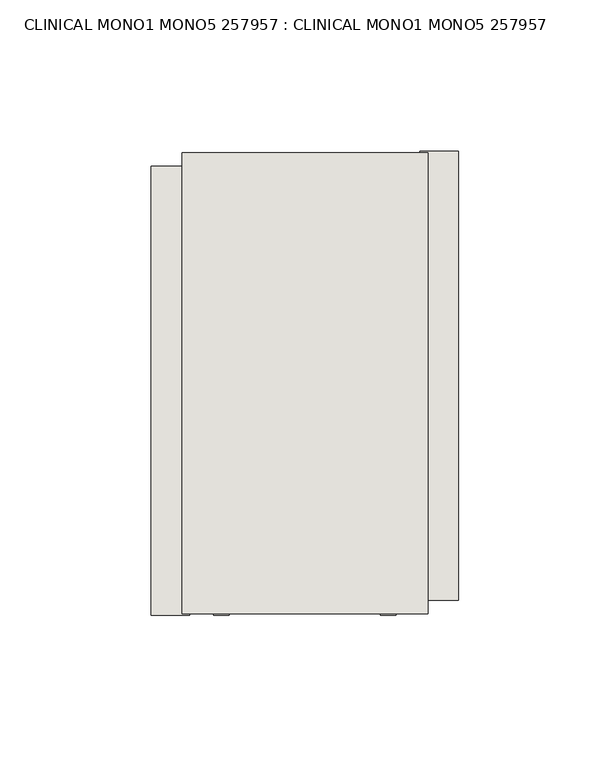
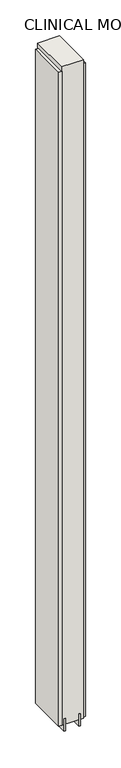
"""IFC4 building model written with IfcOpenShell, lengths in millimetres: wall geometry, CLINICAL MONO1 MONO5 257957 : CLINICAL MONO1 MONO5 257957."""

from ifc_helpers import new_model, si_unit, frame, origin, place, context, project, spatial, polyline, outline, extrude, source, transform, mapped, element, save


def clinical_mono1_mono5_257957_clinical_mono1_mono5_257957_e8ebd9ee(model_context):
    return source(origin(), model_context, "Body", "SweptSolid", [
        extrude(outline(polyline([(84662.2605202, -53983.4472272), (84662.2605202, -53985.9872272), (84659.7205202, -53985.9872272), (84659.7205202, -53983.4472272), (84662.2605202, -53983.4472272)])), frame((0.0, 0.0, 4419.6), z_axis=(0.0, 0.0, 1.0), x_axis=(1.0, 0.0, 0.0)), (0.0, 0.0, 1.0), 2.54),
        extrude(outline(polyline([(84610.1905202, -54136.3140767), (84610.1905202, -53987.9140737), (84622.8905202, -53987.9140737), (84622.8905202, -54136.3140767), (84610.1905202, -54136.3140767)])), frame((0.0, 0.0, 4445.0), z_axis=(0.0, 0.0, 1.0), x_axis=(1.0, 0.0, 0.0)), (0.0, 0.0, 1.0), 2545.0498756),
        extrude(outline(polyline([(84711.7905202, -53982.9779393), (84711.7905202, -54131.3779423), (84699.0905202, -54131.3779423), (84699.0905202, -53982.9779393), (84711.7905202, -53982.9779393)])), frame((0.0, 0.0, 4445.0), z_axis=(0.0, 0.0, 1.0), x_axis=(1.0, 0.0, 0.0)), (0.0, 0.0, 1.0), 2545.0498756),
        extrude(outline(polyline([(84635.9253938, -53983.4584032), (84635.9253938, -54135.8584032), (84630.8218226, -54135.8584032), (84630.8218226, -53983.4584032), (84635.9253938, -53983.4584032)])), frame((0.0, 0.0, 4418.6602), z_axis=(0.0, 0.0, 1.0), x_axis=(1.0, 0.0, 0.0)), (0.0, 0.0, 1.0), 47.625),
        extrude(outline(polyline([(84635.9253938, -53983.4584032), (84635.9253938, -54135.8584032), (84630.8218226, -54135.8584032), (84630.8218226, -53983.4584032), (84635.9253938, -53983.4584032)])), frame((0.0, 0.0, 4418.6602), z_axis=(0.0, 0.0, 1.0), x_axis=(1.0, 0.0, 0.0)), (0.0, 0.0, 1.0), 47.625),
        extrude(outline(polyline([(84686.0618696, -54135.8584032), (84686.0618696, -53983.4584032), (84691.1468226, -53983.4584032), (84691.1468226, -54135.8584032), (84686.0618696, -54135.8584032)])), frame((0.0, 0.0, 4418.6602), z_axis=(0.0, 0.0, 1.0), x_axis=(1.0, 0.0, 0.0)), (0.0, 0.0, 1.0), 47.625),
        extrude(outline(polyline([(84686.0618696, -54135.8584032), (84686.0618696, -53983.4584032), (84691.1468226, -53983.4584032), (84691.1468226, -54135.8584032), (84686.0618696, -54135.8584032)])), frame((0.0, 0.0, 4418.6602), z_axis=(0.0, 0.0, 1.0), x_axis=(1.0, 0.0, 0.0)), (0.0, 0.0, 1.0), 47.625),
        extrude(outline(polyline([(84620.354254, -53983.4584032), (84701.6330094, -53983.4584032), (84701.6330094, -54135.8584032), (84620.354254, -54135.8584032), (84620.354254, -53983.4584032)])), frame((0.0, 0.0, 4445.0), z_axis=(0.0, 0.0, 1.0), x_axis=(1.0, 0.0, 0.0)), (0.0, 0.0, 1.0), 2562.4536762),
    ])


if __name__ == "__main__":
    model = new_model("IFC4")
    model_context = context("Model", 3, world=origin())
    ifc_project = project(units=[si_unit("LENGTHUNIT", "METRE", prefix="MILLI")], contexts=[model_context])
    site = spatial("IfcSite", under=ifc_project)
    building = spatial("IfcBuilding", under=site)
    placement = place(None, origin())
    clinical_mono1_mono5_257957_clinical_mono1_mono5_257957_shape = clinical_mono1_mono5_257957_clinical_mono1_mono5_257957_e8ebd9ee(model_context)
    element("IfcWall", 1, ObjectType="CLINICAL MONO1 MONO5 257957 : CLINICAL MONO1 MONO5 257957", at=placement, inside=building, context=model_context, shape_type="MappedRepresentation", body=[
        mapped(clinical_mono1_mono5_257957_clinical_mono1_mono5_257957_shape, transform((0.0, 0.0, 0.0), x_axis=(1.0, 0.0, 0.0), y_axis=(0.0, 1.0, 0.0), z_axis=(0.0, 0.0, 1.0))),
    ])
    save(model, "model.ifc")
